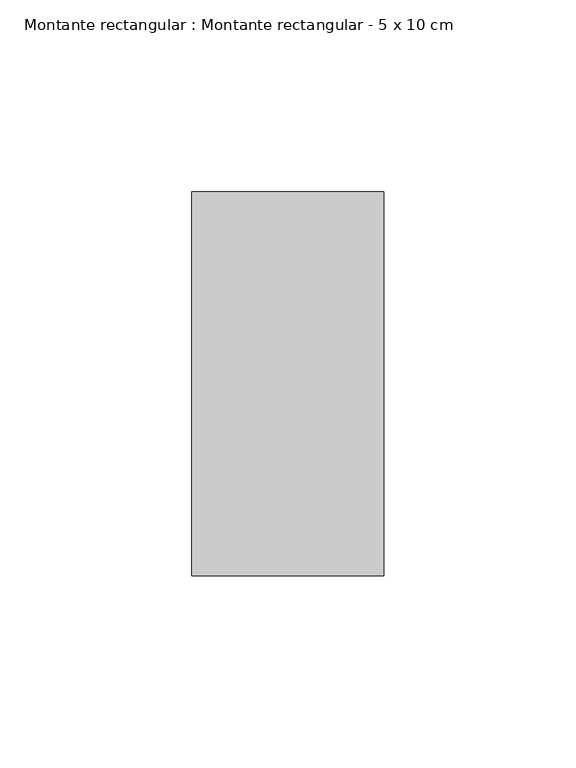
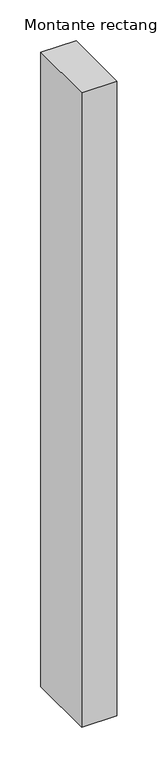
"""IFC4 building model written with IfcOpenShell, lengths in millimetres: member geometry, Montante rectangular : Montante rectangular - 5 x 10 cm."""

from ifc_helpers import new_model, si_unit, frame, origin, place, context, project, spatial, polyline, outline, extrude, source, transform, mapped, element, save


def montante_rectangular_montante_rectangular_5_x_10_cm_599a874d(model_context):
    return source(origin(), model_context, "Body", "SweptSolid", [
        extrude(outline(polyline([(-50.0, 50.0), (0.0, 50.0), (0.0, -50.0), (-50.0, -50.0), (-50.0, 50.0)])), frame((0.0, 0.0, -950.0), z_axis=(0.0, 0.0, 1.0), x_axis=(1.0, 0.0, 0.0)), (0.0, 0.0, 1.0), 950.0),
    ])


if __name__ == "__main__":
    model = new_model("IFC4")
    model_context = context("Model", 3, world=origin())
    ifc_project = project(units=[si_unit("LENGTHUNIT", "METRE", prefix="MILLI")], contexts=[model_context])
    site = spatial("IfcSite", under=ifc_project)
    building = spatial("IfcBuilding", under=site)
    placement = place(None, origin())
    montante_rectangular_montante_rectangular_5_x_10_cm_shape = montante_rectangular_montante_rectangular_5_x_10_cm_599a874d(model_context)
    element("IfcMember", 1, ObjectType="Montante rectangular : Montante rectangular - 5 x 10 cm", at=placement, inside=building, context=model_context, shape_type="MappedRepresentation", body=[
        mapped(montante_rectangular_montante_rectangular_5_x_10_cm_shape, transform((0.0, 0.0, 0.0), x_axis=(1.0, 0.0, 0.0), y_axis=(0.0, 1.0, 0.0), z_axis=(0.0, 0.0, 1.0))),
    ])
    save(model, "model.ifc")
